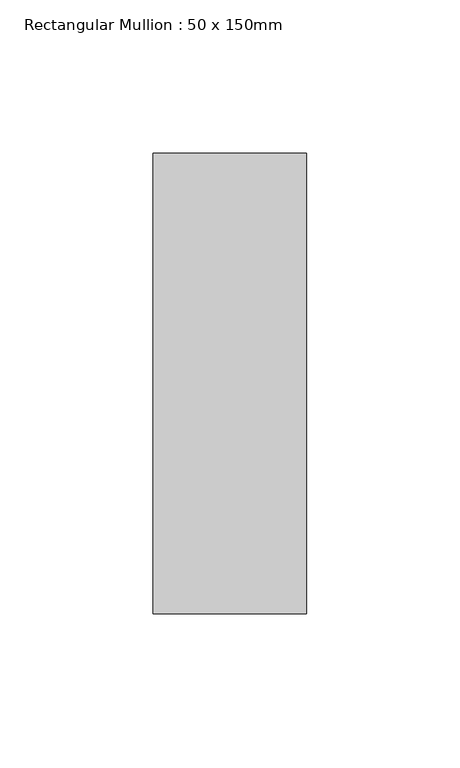
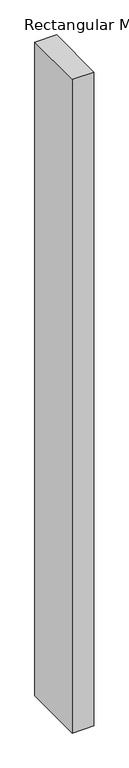
"""IFC4 building model written with IfcOpenShell, lengths in millimetres: member geometry, Rectangular Mullion : 50 x 150mm."""

from ifc_helpers import new_model, si_unit, frame, origin, place, context, project, spatial, polyline, outline, extrude, source, transform, mapped, element, save


def rectangular_mullion_50_x_150mm_849620c7(model_context):
    return source(origin(), model_context, "Body", "SweptSolid", [
        extrude(outline(polyline([(0.0, 75.0), (0.0, -75.0), (-50.0, -75.0), (-50.0, 75.0), (0.0, 75.0)])), frame((0.0, 0.0, -1600.0), z_axis=(0.0, 0.0, 1.0), x_axis=(1.0, 0.0, 0.0)), (0.0, 0.0, 1.0), 1600.0),
    ])


if __name__ == "__main__":
    model = new_model("IFC4")
    model_context = context("Model", 3, world=origin())
    ifc_project = project(units=[si_unit("LENGTHUNIT", "METRE", prefix="MILLI")], contexts=[model_context])
    site = spatial("IfcSite", under=ifc_project)
    building = spatial("IfcBuilding", under=site)
    placement = place(None, origin())
    rectangular_mullion_50_x_150mm_shape = rectangular_mullion_50_x_150mm_849620c7(model_context)
    element("IfcMember", 1, ObjectType="Rectangular Mullion : 50 x 150mm", at=placement, inside=building, context=model_context, shape_type="MappedRepresentation", body=[
        mapped(rectangular_mullion_50_x_150mm_shape, transform((0.0, 0.0, 0.0), x_axis=(1.0, 0.0, 0.0), y_axis=(0.0, 1.0, 0.0), z_axis=(0.0, 0.0, 1.0))),
    ])
    save(model, "model.ifc")
